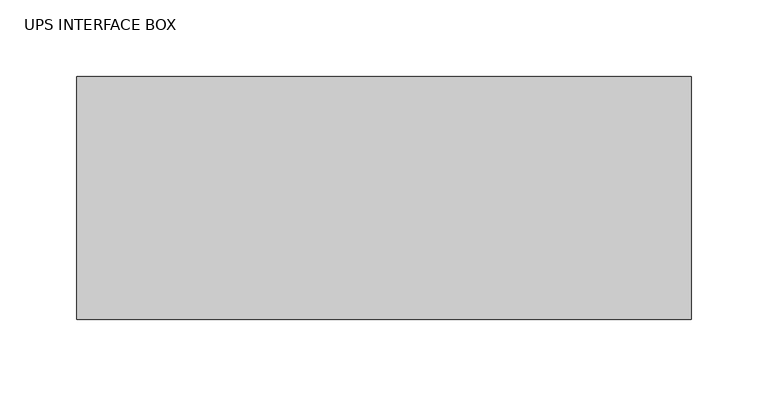
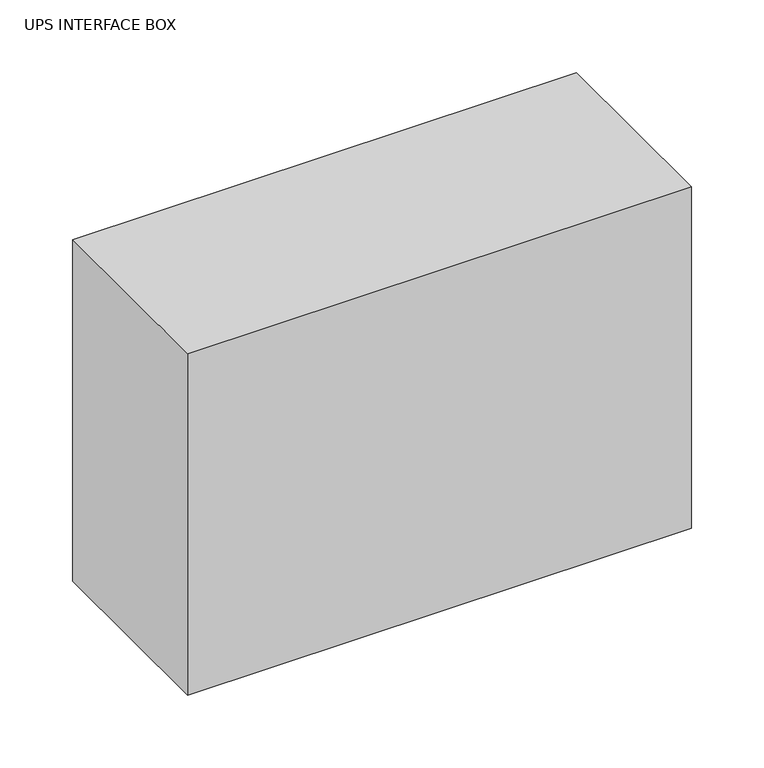
"""IFC4 building model written with IfcOpenShell, lengths in millimetres: proxy geometry, UPS INTERFACE BOX."""

import ifcopenshell
import ifcopenshell.guid

model = None  # the IFC model being written
_history = None  # IfcOwnerHistory: only IFC2X3 demands one
_inside = {}  # id of a spatial element -> (the spatial element, [elements in it])
_under = {}  # id of a project, library or spatial element -> (it, [spatial elements below it])
_declared = {}  # id of a project -> (the project, [libraries it declares])
_typed = {}  # id of a type object -> (the type object, [elements of that type])
_made_of = {}  # id of a material, layer set ... -> (it, [elements and type objects made of it])


def new_model(schema):
    """Start an empty IFC model of exactly this schema.

    Asked for "IFC4X3", IfcOpenShell would pick the latest addendum, in which some entities
    have other attributes; the version numbers below select the first issue.
    IFC2X3 requires an IfcOwnerHistory on every rooted entity: one is made here for all.
    """
    global model, _history
    if schema == "IFC4X3":
        model = ifcopenshell.file(schema_version=(4, 3, 0, 0))
    else:
        model = ifcopenshell.file(schema=schema)
    _inside.clear()
    _under.clear()
    _declared.clear()
    _typed.clear()
    _made_of.clear()
    _history = None
    if model.schema == "IFC2X3":
        org = make("IfcOrganization", Name="unknown")
        user = make(
            "IfcPersonAndOrganization",
            ThePerson=make("IfcPerson", FamilyName="unknown"),
            TheOrganization=org,
        )
        app = make(
            "IfcApplication",
            ApplicationDeveloper=org,
            Version="unknown",
            ApplicationFullName="unknown",
            ApplicationIdentifier="unknown",
        )
        _history = make(
            "IfcOwnerHistory",
            OwningUser=user,
            OwningApplication=app,
            ChangeAction="ADDED",
            CreationDate=0,
        )
    return model


def make(cls, **values):
    """One entity of the class cls with the attributes given. An attribute that is None is left unset."""
    return model.create_entity(
        cls, **{name: value for name, value in values.items() if value is not None}
    )


def rooted(cls, **values):
    """An entity with a GlobalId (a new one), such as an element, a storey or a relation."""
    return make(cls, GlobalId=ifcopenshell.guid.new(), OwnerHistory=_history, **values)


def si_unit(unit_type, name, prefix=None):
    """IfcSIUnit, for example si_unit("LENGTHUNIT", "METRE", prefix="MILLI")."""
    return make("IfcSIUnit", UnitType=unit_type, Prefix=prefix, Name=name)


def assignment(units):
    """IfcUnitAssignment: the units of a project."""
    return None if units is None else make("IfcUnitAssignment", Units=units)


def point(xyz):
    """IfcCartesianPoint."""
    return None if xyz is None else make("IfcCartesianPoint", Coordinates=xyz)


def direction(xyz):
    """IfcDirection."""
    return None if xyz is None else make("IfcDirection", DirectionRatios=xyz)


def frame(location, z_axis=None, x_axis=None):
    """IfcAxis2Placement3D, a coordinate frame: its origin and axes. An axis left out is left unset."""
    return make(
        "IfcAxis2Placement3D",
        Location=point(location),
        Axis=direction(z_axis),
        RefDirection=direction(x_axis),
    )


def origin():
    """The frame at (0, 0, 0) with its axes left unset."""
    return frame((0.0, 0.0, 0.0))


def place(relative_to, where):
    """IfcLocalPlacement: puts the frame where relative to a parent placement (None: the world)."""
    return make(
        "IfcLocalPlacement", PlacementRelTo=relative_to, RelativePlacement=where
    )


def context(
    kind, dimensions, precision=None, world=None, true_north=None, identifier=None
):
    """IfcGeometricRepresentationContext, for example the 3D "Model" context."""
    return make(
        "IfcGeometricRepresentationContext",
        ContextIdentifier=identifier,
        ContextType=kind,
        CoordinateSpaceDimension=dimensions,
        Precision=precision,
        WorldCoordinateSystem=world,
        TrueNorth=true_north,
    )


def project(units=None, contexts=None):
    """IfcProject with its units and contexts."""
    return rooted(
        "IfcProject",
        Name="project",
        RepresentationContexts=contexts,
        UnitsInContext=assignment(units),
    )


def spatial(cls, under=None, at=None, **own):
    """A site, building, storey or space (cls), placed at a placement, below another one or the project."""
    s = rooted(cls, ObjectPlacement=at, **own)
    if under is not None:
        _under.setdefault(under.id(), (under, []))[1].append(s)
    return s


def polyline(points):
    """IfcPolyline through the points."""
    return make("IfcPolyline", Points=[point(p) for p in points])


def outline(outer, holes=None, kind="AREA"):
    """IfcArbitraryClosedProfileDef: a profile drawn as a closed curve; with holes, ...WithVoids."""
    if holes is None:
        return make("IfcArbitraryClosedProfileDef", ProfileType=kind, OuterCurve=outer)
    return make(
        "IfcArbitraryProfileDefWithVoids",
        ProfileType=kind,
        OuterCurve=outer,
        InnerCurves=holes,
    )


def extrude(swept, where, along, depth):
    """IfcExtrudedAreaSolid: the profile swept, set in the frame where, extruded along a direction by depth."""
    return make(
        "IfcExtrudedAreaSolid",
        SweptArea=swept,
        Position=where,
        ExtrudedDirection=direction(along),
        Depth=depth,
    )


def shape(context_of_items, identifier, shape_type, items):
    """IfcShapeRepresentation: the items that make up one representation, for example the "Body"."""
    return make(
        "IfcShapeRepresentation",
        ContextOfItems=context_of_items,
        RepresentationIdentifier=identifier,
        RepresentationType=shape_type,
        Items=items,
    )


def source(mapping_origin, context_of_items, identifier, shape_type, items):
    """IfcRepresentationMap: a shape defined once, which mapped items show again and again."""
    return make(
        "IfcRepresentationMap",
        MappingOrigin=mapping_origin,
        MappedRepresentation=shape(context_of_items, identifier, shape_type, items),
    )


def transform(
    local_origin,
    x_axis=None,
    y_axis=None,
    z_axis=None,
    scale=None,
    scale2=None,
    scale3=None,
    uniform=True,
):
    """IfcCartesianTransformationOperator3D, or its non-uniform kind. x_axis, y_axis, z_axis: its Axis1, 2, 3."""
    if uniform:
        return make(
            "IfcCartesianTransformationOperator3D",
            Axis1=direction(x_axis),
            Axis2=direction(y_axis),
            LocalOrigin=point(local_origin),
            Scale=scale,
            Axis3=direction(z_axis),
        )
    return make(
        "IfcCartesianTransformationOperator3DnonUniform",
        Axis1=direction(x_axis),
        Axis2=direction(y_axis),
        LocalOrigin=point(local_origin),
        Scale=scale,
        Axis3=direction(z_axis),
        Scale2=scale2,
        Scale3=scale3,
    )


def mapped(mapping_source, mapping_target):
    """IfcMappedItem: shows the shape of a source again, moved by a transform."""
    return make(
        "IfcMappedItem", MappingSource=mapping_source, MappingTarget=mapping_target
    )


def made_of(thing, what):
    """Note that an element or type object is made of a material, layer set ...; save() writes the relation."""
    if what is not None:
        _made_of.setdefault(what.id(), (what, []))[1].append(thing)
    return thing


def element(
    cls,
    number,
    at=None,
    inside=None,
    cuts=None,
    type_object=None,
    material=None,
    context=None,
    identifier="Body",
    shape_type=None,
    held_by="IfcProductDefinitionShape",
    body=None,
    shapes=None,
    **own,
):
    """One element of the class cls, such as IfcWall. Its Tag is "e" and its number.

    at: its placement. inside: the storey or other place that contains it. cuts: it is an
    opening in that element (IfcRelVoidsElement). A single representation is given by context,
    identifier, shape_type and body (its items); several are given by shapes. held_by: the class
    of the entity that holds the representations. save() writes the other relations.
    """
    e = rooted(cls, Tag="e%d" % number, ObjectPlacement=at, **own)
    if body is not None:
        shapes = [shape(context, identifier, shape_type, body)]
    if shapes is not None:
        e.Representation = make(held_by, Representations=shapes)
    if inside is not None:
        _inside.setdefault(inside.id(), (inside, []))[1].append(e)
    if cuts is not None:
        rooted(
            "IfcRelVoidsElement", RelatingBuildingElement=cuts, RelatedOpeningElement=e
        )
    if type_object is not None:
        _typed.setdefault(type_object.id(), (type_object, []))[1].append(e)
    return made_of(e, material)


def aggregate(whole, parts):
    """IfcRelAggregates: a whole, such as a stair, and the parts it consists of."""
    return rooted("IfcRelAggregates", RelatingObject=whole, RelatedObjects=parts)


def save(model, path):
    """Write the relations noted so far, then the file.

    IfcRelAggregates (storeys below a building ...), IfcRelContainedInSpatialStructure (elements
    in a storey), IfcRelDefinesByType, IfcRelAssociatesMaterial and IfcRelDeclares: one each for
    every whole, place, type object, material and project.
    """
    for whole, parts in _under.values():
        aggregate(whole, parts)
    for where, things in _inside.values():
        rooted(
            "IfcRelContainedInSpatialStructure",
            RelatedElements=things,
            RelatingStructure=where,
        )
    for kind, things in _typed.values():
        rooted("IfcRelDefinesByType", RelatedObjects=things, RelatingType=kind)
    for what, things in _made_of.values():
        rooted("IfcRelAssociatesMaterial", RelatedObjects=things, RelatingMaterial=what)
    for by, libraries in _declared.values():
        rooted("IfcRelDeclares", RelatingContext=by, RelatedDefinitions=libraries)
    model.write(path)


def ups_interface_box_b0d02929(model_context):
    return source(origin(), model_context, "Body", "SweptSolid", [
        extrude(outline(polyline([(24.4709335, 91.3029439), (24.4709335, -67.0109336), (-376.2515534, -67.0109336), (-376.2515534, 91.3029439), (24.4709335, 91.3029439)])), frame((0.0, 0.0, 1380.49), z_axis=(0.0, 0.0, 1.0), x_axis=(1.0, 0.0, 0.0)), (0.0, 0.0, 1.0), 287.02),
    ])


if __name__ == "__main__":
    model = new_model("IFC4")
    model_context = context("Model", 3, world=origin())
    ifc_project = project(units=[si_unit("LENGTHUNIT", "METRE", prefix="MILLI")], contexts=[model_context])
    site = spatial("IfcSite", under=ifc_project)
    building = spatial("IfcBuilding", under=site)
    placement = place(None, origin())
    ups_interface_box_shape = ups_interface_box_b0d02929(model_context)
    element("IfcBuildingElementProxy", 1, Name="UPS INTERFACE BOX", ObjectType="UPS INTERFACE BOX", at=placement, inside=building, context=model_context, shape_type="MappedRepresentation", body=[
        mapped(ups_interface_box_shape, transform((0.0, 0.0, 0.0), x_axis=(1.0, 0.0, 0.0), y_axis=(0.0, 1.0, 0.0), z_axis=(0.0, 0.0, 1.0))),
    ])
    save(model, "model.ifc")
